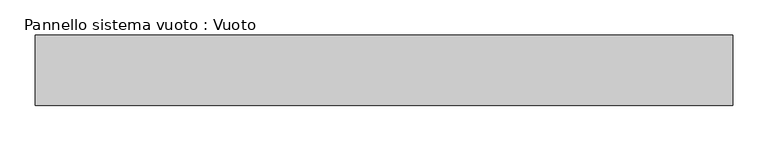
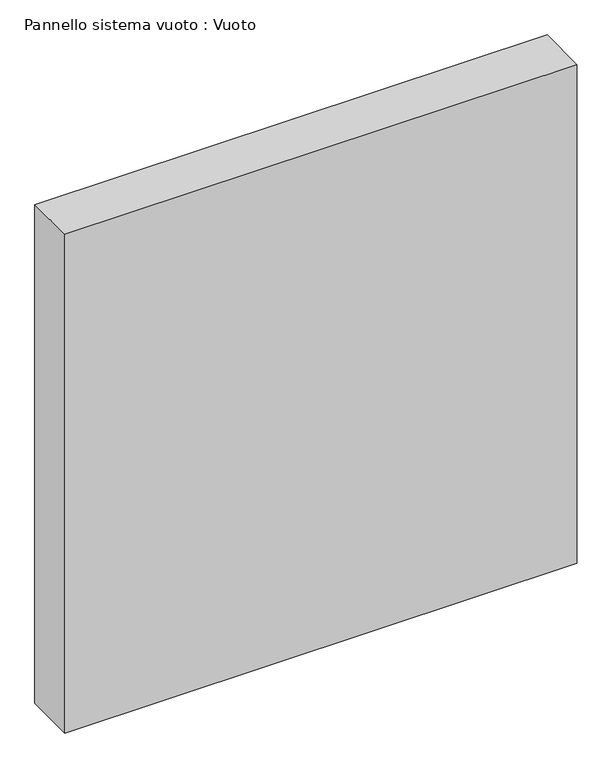
"""IFC4 building model written with IfcOpenShell, lengths in millimetres: plate geometry, Pannello sistema vuoto : Vuoto."""

from ifc_helpers import new_model, si_unit, origin, origin_with_axes, place, context, project, spatial, polyline, outline, extrude, source, transform, mapped, element, save


def pannello_sistema_vuoto_vuoto_c8d7b624(model_context):
    return source(origin(), model_context, "Body", "SweptSolid", [
        extrude(outline(polyline([(495.0, -50.0), (-495.0, -50.0), (-495.0, 50.0), (495.0, 50.0), (495.0, -50.0)])), origin_with_axes(), (0.0, 0.0, 1.0), 1018.3333333),
    ])


if __name__ == "__main__":
    model = new_model("IFC4")
    model_context = context("Model", 3, world=origin())
    ifc_project = project(units=[si_unit("LENGTHUNIT", "METRE", prefix="MILLI")], contexts=[model_context])
    site = spatial("IfcSite", under=ifc_project)
    building = spatial("IfcBuilding", under=site)
    placement = place(None, origin())
    pannello_sistema_vuoto_vuoto_shape = pannello_sistema_vuoto_vuoto_c8d7b624(model_context)
    element("IfcPlate", 1, ObjectType="Pannello sistema vuoto : Vuoto", at=placement, inside=building, context=model_context, shape_type="MappedRepresentation", body=[
        mapped(pannello_sistema_vuoto_vuoto_shape, transform((0.0, 0.0, 0.0), x_axis=(1.0, 0.0, 0.0), y_axis=(0.0, 1.0, 0.0), z_axis=(0.0, 0.0, 1.0))),
    ])
    save(model, "model.ifc")
